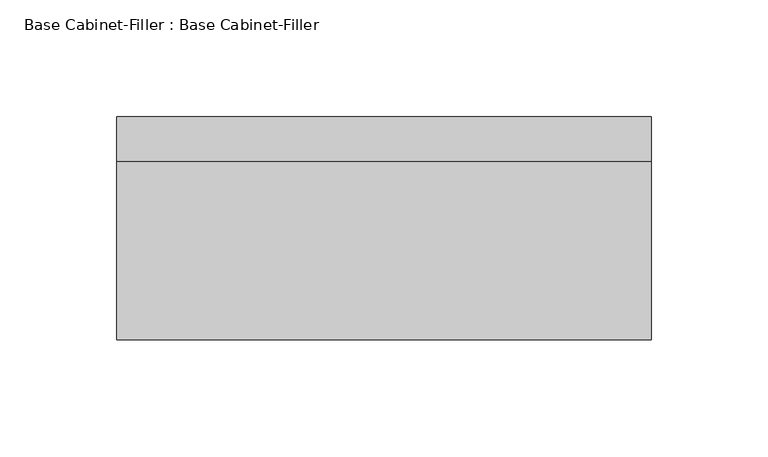
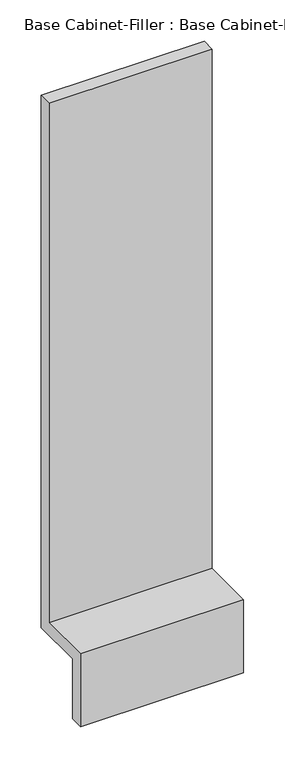
"""IFC4 building model written with IfcOpenShell, lengths in millimetres: furniture geometry, Base Cabinet-Filler : Base Cabinet-Filler."""

from ifc_helpers import new_model, si_unit, frame, origin, place, context, project, spatial, polyline, outline, extrude, source, transform, mapped, element, save


def base_cabinet_filler_base_cabinet_filler_a071590f(model_context):
    return source(origin(), model_context, "Body", "SweptSolid", [
        extrude(outline(polyline([(609.6, 88.9), (533.4, 88.9), (533.4, 0.0), (514.35, 0.0), (514.35, 107.95), (590.55, 107.95), (590.55, 876.3), (609.6, 876.3), (609.6, 88.9)])), frame((-95.5622951, 0.0, 0.0), z_axis=(1.0, 0.0, 0.0), x_axis=(0.0, 1.0, 0.0)), (0.0, 0.0, 1.0), 228.6),
    ])


if __name__ == "__main__":
    model = new_model("IFC4")
    model_context = context("Model", 3, world=origin())
    ifc_project = project(units=[si_unit("LENGTHUNIT", "METRE", prefix="MILLI")], contexts=[model_context])
    site = spatial("IfcSite", under=ifc_project)
    building = spatial("IfcBuilding", under=site)
    placement = place(None, origin())
    base_cabinet_filler_base_cabinet_filler_shape = base_cabinet_filler_base_cabinet_filler_a071590f(model_context)
    element("IfcFurniture", 1, ObjectType="Base Cabinet-Filler : Base Cabinet-Filler", at=placement, inside=building, context=model_context, shape_type="MappedRepresentation", body=[
        mapped(base_cabinet_filler_base_cabinet_filler_shape, transform((0.0, 0.0, 0.0), x_axis=(1.0, 0.0, 0.0), y_axis=(0.0, 1.0, 0.0), z_axis=(0.0, 0.0, 1.0))),
    ])
    save(model, "model.ifc")
